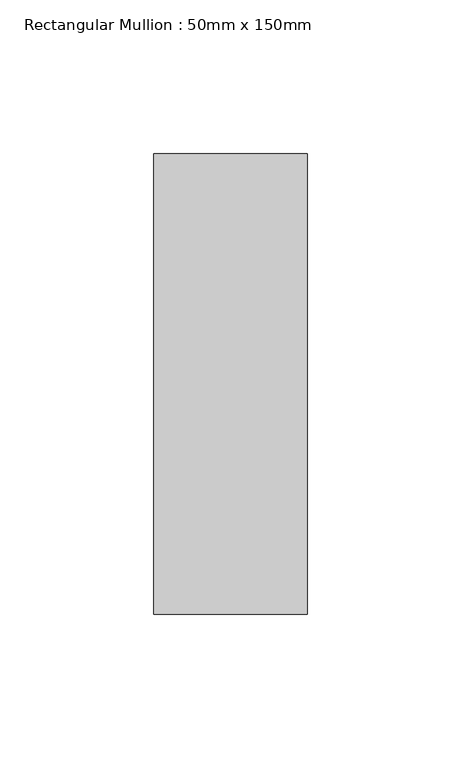
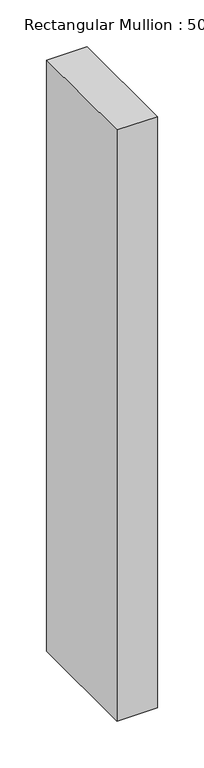
"""IFC4 building model written with IfcOpenShell, lengths in millimetres: member geometry, Rectangular Mullion : 50mm x 150mm."""

from ifc_helpers import new_model, si_unit, frame, origin, place, context, project, spatial, polyline, outline, extrude, source, transform, mapped, element, save


def rectangular_mullion_50mm_x_150mm_b3a8b0bf(model_context):
    return source(origin(), model_context, "Body", "SweptSolid", [
        extrude(outline(polyline([(0.0, 75.0), (0.0, -75.0), (-50.0, -75.0), (-50.0, 75.0), (0.0, 75.0)])), frame((0.0, 0.0, -771.0), z_axis=(0.0, 0.0, 1.0), x_axis=(1.0, 0.0, 0.0)), (0.0, 0.0, 1.0), 771.0),
    ])


if __name__ == "__main__":
    model = new_model("IFC4")
    model_context = context("Model", 3, world=origin())
    ifc_project = project(units=[si_unit("LENGTHUNIT", "METRE", prefix="MILLI")], contexts=[model_context])
    site = spatial("IfcSite", under=ifc_project)
    building = spatial("IfcBuilding", under=site)
    placement = place(None, origin())
    rectangular_mullion_50mm_x_150mm_shape = rectangular_mullion_50mm_x_150mm_b3a8b0bf(model_context)
    element("IfcMember", 1, ObjectType="Rectangular Mullion : 50mm x 150mm", at=placement, inside=building, context=model_context, shape_type="MappedRepresentation", body=[
        mapped(rectangular_mullion_50mm_x_150mm_shape, transform((0.0, 0.0, 0.0), x_axis=(1.0, 0.0, 0.0), y_axis=(0.0, 1.0, 0.0), z_axis=(0.0, 0.0, 1.0))),
    ])
    save(model, "model.ifc")
